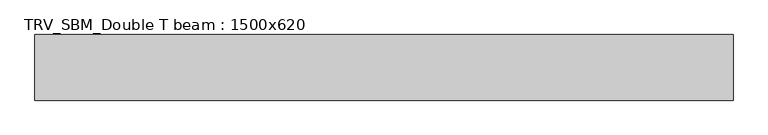
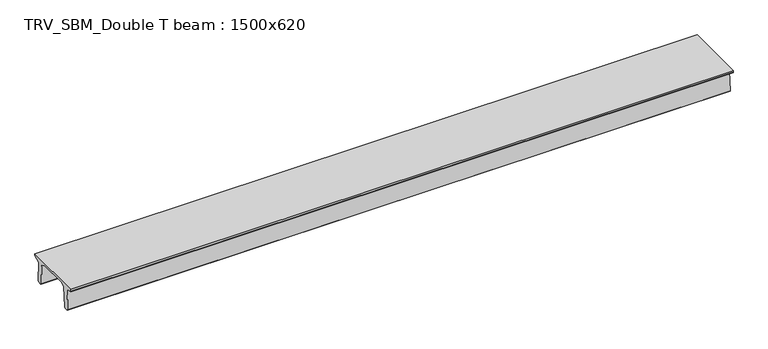
"""IFC4 building model written with IfcOpenShell, lengths in millimetres: beam geometry, TRV_SBM_Double T beam : 1500x620."""

from ifc_helpers import new_model, si_unit, frame, origin, place, context, project, spatial, polyline, outline, extrude, source, transform, mapped, element, save


def trv_sbm_double_t_beam_1500x620_05c2396e(model_context):
    return source(origin(), model_context, "Body", "SweptSolid", [
        extrude(outline(polyline([(-765.0, 215.0), (-765.0, 260.0), (735.0, 260.0), (735.0, 215.0), (728.2094488, 201.315559), (578.0626443, 140.6523122), (594.8277662, -339.4379646), (574.2657308, -360.0), (484.2657308, -360.0), (464.786332, -340.5206011), (447.8600761, 144.18395), (338.3237744, 210.0), (-367.4555014, 210.0), (-476.5389732, 151.9992892), (-507.0080378, -339.3850967), (-527.622941, -360.0), (-615.122941, -360.0), (-637.1143055, -338.0086356), (-606.1572167, 162.687806), (-761.3068466, 204.260024), (-765.0, 215.0)])), frame((-7977.5, 0.0, 0.0), z_axis=(1.0, 0.0, 0.0), x_axis=(0.0, 1.0, 0.0)), (0.0, 0.0, 1.0), 15955.0),
    ])


if __name__ == "__main__":
    model = new_model("IFC4")
    model_context = context("Model", 3, world=origin())
    ifc_project = project(units=[si_unit("LENGTHUNIT", "METRE", prefix="MILLI")], contexts=[model_context])
    site = spatial("IfcSite", under=ifc_project)
    building = spatial("IfcBuilding", under=site)
    placement = place(None, origin())
    trv_sbm_double_t_beam_1500x620_shape = trv_sbm_double_t_beam_1500x620_05c2396e(model_context)
    element("IfcBeam", 1, ObjectType="TRV_SBM_Double T beam : 1500x620", at=placement, inside=building, context=model_context, shape_type="MappedRepresentation", body=[
        mapped(trv_sbm_double_t_beam_1500x620_shape, transform((0.0, 0.0, 0.0), x_axis=(1.0, 0.0, 0.0), y_axis=(0.0, 1.0, 0.0), z_axis=(0.0, 0.0, 1.0))),
    ])
    save(model, "model.ifc")
